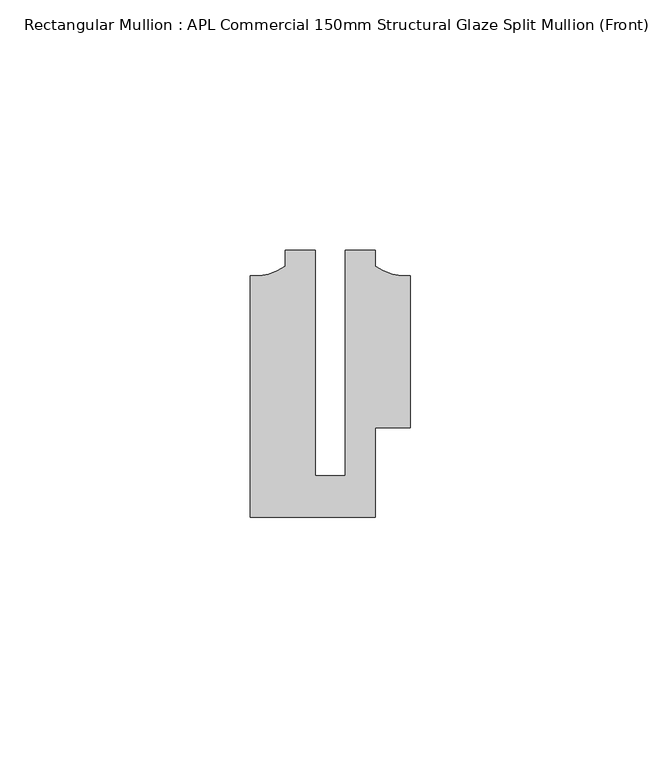
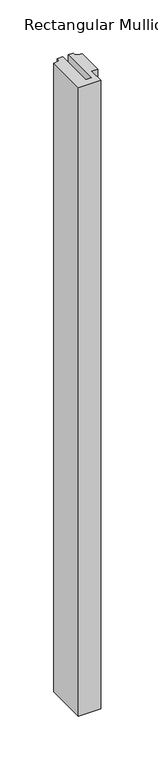
"""IFC4 building model written with IfcOpenShell, lengths in millimetres: member geometry, Rectangular Mullion : APL Commercial 150mm Structural Glaze Split Mullion (Front)."""

from ifc_helpers import new_model, si_unit, point, frame, frame_2d, origin, place, context, project, spatial, polyline, circle_curve, trimmed, segment, composite_curve, outline, extrude, source, transform, mapped, element, save


def rectangular_mullion_apl_commercial_150mm_structural_glaze_6e1eab0f(model_context):
    return source(origin(), model_context, "Body", "SweptSolid", [
        extrude(outline(composite_curve([segment(polyline([(15.9999391, -14.9953356), (9.0, -14.9953356), (9.0, -32.7960123), (-15.9999391, -32.7960123), (-15.9999391, 15.3837352)]), True, "CONTINUOUS"), segment(trimmed(circle_curve(frame_2d((-15.1098019, 25.802169)), 10.4563907), [point((-15.9999391, 15.3837352))], [point((-8.9999842, 17.3165203))], True, "CARTESIAN"), True, "CONTINUOUS"), segment(polyline([(-8.9999842, 17.3165203), (-8.9999842, 20.5039877), (-2.9999659, 20.5039877), (-2.9999659, -24.5130805), (2.9999676, -24.5130805), (2.9999676, 20.5039877), (8.9999842, 20.5039877), (8.9999842, 17.3165203)]), True, "CONTINUOUS"), segment(trimmed(circle_curve(frame_2d((15.1098019, 25.802169)), 10.4563907), [point((8.9999842, 17.3165203))], [point((15.9999391, 15.3837352))], True, "CARTESIAN"), True, "CONTINUOUS"), segment(polyline([(15.9999391, 15.3837352), (15.9999391, -14.9953356)]), True, "CONTINUOUS")], self_intersect=False)), frame((0.0, 0.0, -750.6149322), z_axis=(0.0, 0.0, 1.0), x_axis=(1.0, 0.0, 0.0)), (0.0, 0.0, 1.0), 750.6149322),
    ])


if __name__ == "__main__":
    model = new_model("IFC4")
    model_context = context("Model", 3, world=origin())
    ifc_project = project(units=[si_unit("LENGTHUNIT", "METRE", prefix="MILLI")], contexts=[model_context])
    site = spatial("IfcSite", under=ifc_project)
    building = spatial("IfcBuilding", under=site)
    placement = place(None, origin())
    rectangular_mullion_apl_commercial_150mm_structural_glaze_shape = rectangular_mullion_apl_commercial_150mm_structural_glaze_6e1eab0f(model_context)
    element("IfcMember", 1, ObjectType="Rectangular Mullion : APL Commercial 150mm Structural Glaze Split Mullion (Front)", at=placement, inside=building, context=model_context, shape_type="MappedRepresentation", body=[
        mapped(rectangular_mullion_apl_commercial_150mm_structural_glaze_shape, transform((0.0, 0.0, 0.0), x_axis=(1.0, 0.0, 0.0), y_axis=(0.0, 1.0, 0.0), z_axis=(0.0, 0.0, 1.0))),
    ])
    save(model, "model.ifc")
